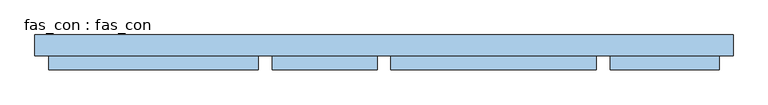
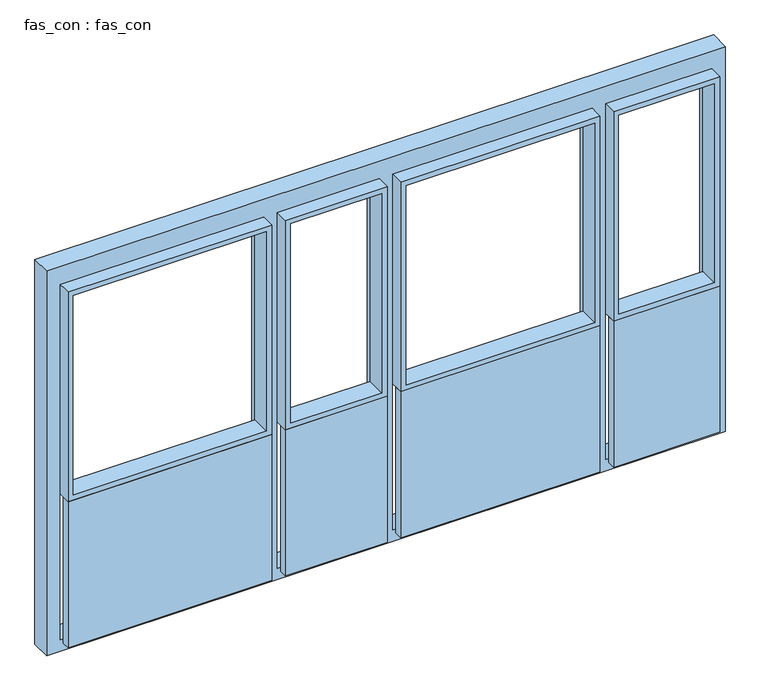
"""IFC4 building model written with IfcOpenShell, lengths in millimetres: window geometry, fas_con : fas_con."""

from ifc_helpers import new_model, si_unit, frame, origin, place, context, project, spatial, polyline, outline, extrude, source, transform, mapped, element, save


def fas_con_fas_con_baa1a2ea(model_context):
    return source(origin(), model_context, "Body", "SweptSolid", [
        extrude(outline(polyline([(3850.0, -2500.0), (850.0, -2500.0), (850.0, 2500.0), (3850.0, 2500.0), (3850.0, -2500.0)]), holes=[polyline([(940.0, -900.8141783), (940.0, -2400.0), (3711.4513918, -2400.0), (3711.4513918, -900.8141783), (940.0, -900.8141783)]), polyline([(3711.4513918, 1619.1858217), (3711.4513918, 2400.0), (940.0, 2400.0), (940.0, 1619.1858217), (3711.4513918, 1619.1858217)]), polyline([(3711.4513918, 50.0), (3711.4513918, 1519.1858217), (940.0, 1519.1858217), (940.0, 50.0), (3711.4513918, 50.0)]), polyline([(3711.4513918, -800.8141783), (3711.4513918, -50.0), (940.0, -50.0), (940.0, -800.8141783), (3711.4513918, -800.8141783)])]), frame((0.0, -150.0, 0.0), z_axis=(0.0, 1.0, 0.0), x_axis=(0.0, 0.0, 1.0)), (0.0, 0.0, 1.0), 150.0),
        extrude(outline(polyline([(3711.4513918, 1619.1858217), (2078.1757493, 1619.1858217), (2078.1757493, 2400.0), (3711.4513918, 2400.0), (3711.4513918, 1619.1858217)]), holes=[polyline([(3671.4513918, 1659.1858217), (3671.4513918, 2360.0), (2118.1757493, 2360.0), (2118.1757493, 1659.1858217), (3671.4513918, 1659.1858217)])]), frame((0.0, -250.0, 0.0), z_axis=(0.0, 1.0, 0.0), x_axis=(0.0, 0.0, 1.0)), (0.0, 0.0, 1.0), 144.9012688),
        extrude(outline(polyline([(3711.4513918, 50.0), (2078.1757493, 50.0), (2078.1757493, 1519.1858217), (3711.4513918, 1519.1858217), (3711.4513918, 50.0)]), holes=[polyline([(3671.4513918, 90.0), (3671.4513918, 1479.1858217), (2118.1757493, 1479.1858217), (2118.1757493, 90.0), (3671.4513918, 90.0)])]), frame((0.0, -250.0, 0.0), z_axis=(0.0, 1.0, 0.0), x_axis=(0.0, 0.0, 1.0)), (0.0, 0.0, 1.0), 144.9012688),
        extrude(outline(polyline([(3711.4513918, -800.8141783), (2078.1757493, -800.8141783), (2078.1757493, -50.0), (3711.4513918, -50.0), (3711.4513918, -800.8141783)]), holes=[polyline([(3671.4513918, -760.8141783), (3671.4513918, -90.0), (2118.1757493, -90.0), (2118.1757493, -760.8141783), (3671.4513918, -760.8141783)])]), frame((0.0, -250.0, 0.0), z_axis=(0.0, 1.0, 0.0), x_axis=(0.0, 0.0, 1.0)), (0.0, 0.0, 1.0), 144.9012688),
        extrude(outline(polyline([(3711.4513918, -2400.0), (2078.1757493, -2400.0), (2078.1757493, -900.8141783), (3711.4513918, -900.8141783), (3711.4513918, -2400.0)]), holes=[polyline([(3671.4513918, -2360.0), (3671.4513918, -940.8141783), (2118.1757493, -940.8141783), (2118.1757493, -2360.0), (3671.4513918, -2360.0)])]), frame((0.0, -250.0, 0.0), z_axis=(0.0, 1.0, 0.0), x_axis=(0.0, 0.0, 1.0)), (0.0, 0.0, 1.0), 144.9012688),
        extrude(outline(polyline([(2400.0, -191.3956328), (2400.0, -250.0), (1619.1858217, -250.0), (1619.1858217, -191.3956328), (2400.0, -191.3956328)])), frame((0.0, 0.0, 940.0), z_axis=(0.0, 0.0, 1.0), x_axis=(1.0, 0.0, 0.0)), (0.0, 0.0, 1.0), 1138.1757493),
        extrude(outline(polyline([(1519.1858217, -191.3956328), (1519.1858217, -250.0), (50.0, -250.0), (50.0, -191.3956328), (1519.1858217, -191.3956328)])), frame((0.0, 0.0, 940.0), z_axis=(0.0, 0.0, 1.0), x_axis=(1.0, 0.0, 0.0)), (0.0, 0.0, 1.0), 1138.1757493),
        extrude(outline(polyline([(-50.0, -191.3956328), (-50.0, -250.0), (-800.8141783, -250.0), (-800.8141783, -191.3956328), (-50.0, -191.3956328)])), frame((0.0, 0.0, 940.0), z_axis=(0.0, 0.0, 1.0), x_axis=(1.0, 0.0, 0.0)), (0.0, 0.0, 1.0), 1138.1757493),
        extrude(outline(polyline([(-900.8141783, -191.3956328), (-900.8141783, -250.0), (-2400.0, -250.0), (-2400.0, -191.3956328), (-900.8141783, -191.3956328)])), frame((0.0, 0.0, 940.0), z_axis=(0.0, 0.0, 1.0), x_axis=(1.0, 0.0, 0.0)), (0.0, 0.0, 1.0), 1138.1757493),
    ])


if __name__ == "__main__":
    model = new_model("IFC4")
    model_context = context("Model", 3, world=origin())
    ifc_project = project(units=[si_unit("LENGTHUNIT", "METRE", prefix="MILLI")], contexts=[model_context])
    site = spatial("IfcSite", under=ifc_project)
    building = spatial("IfcBuilding", under=site)
    placement = place(None, origin())
    fas_con_fas_con_shape = fas_con_fas_con_baa1a2ea(model_context)
    element("IfcWindow", 1, ObjectType="fas_con : fas_con", at=placement, inside=building, context=model_context, shape_type="MappedRepresentation", body=[
        mapped(fas_con_fas_con_shape, transform((0.0, 0.0, 0.0), x_axis=(1.0, 0.0, 0.0), y_axis=(0.0, 1.0, 0.0), z_axis=(0.0, 0.0, 1.0))),
    ])
    save(model, "model.ifc")
